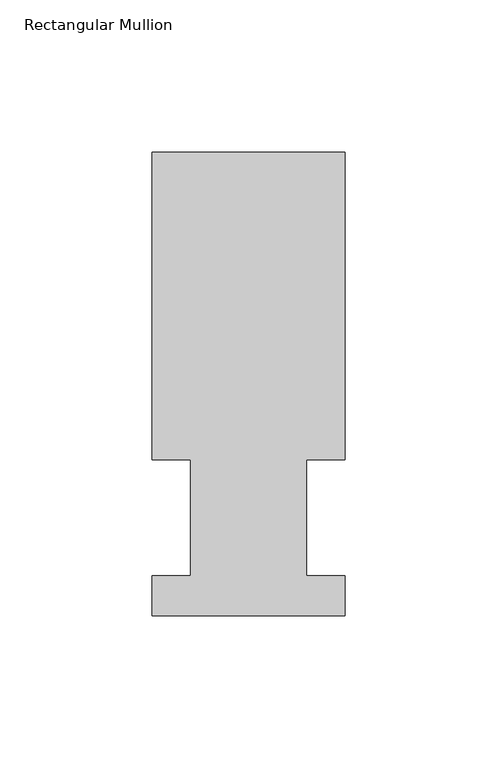
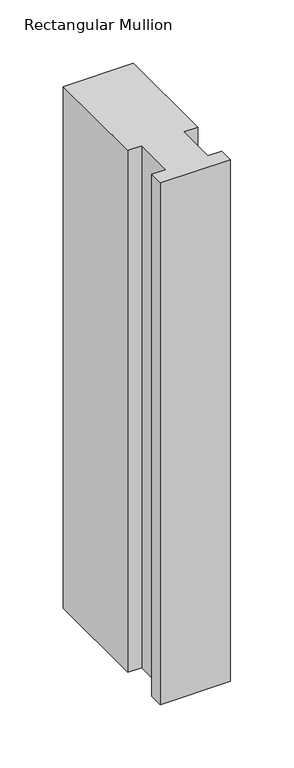
"""IFC4 building model written with IfcOpenShell, lengths in millimetres: member geometry, Rectangular Mullion."""

from ifc_helpers import new_model, si_unit, frame, origin, place, context, project, spatial, polyline, outline, extrude, source, transform, mapped, element, save


def rectangular_mullion_71690587(model_context):
    return source(origin(), model_context, "Body", "SweptSolid", [
        extrude(outline(polyline([(-63.5, 152.4896937), (0.0, 152.4896937), (0.0, 51.2960938), (-12.6873, 51.2960938), (-12.6873, 13.1960938), (0.0, 13.1960938), (0.0, 0.0134938), (-63.5, 0.0134938), (-63.5, 13.1960938), (-50.8, 13.1960938), (-50.8, 51.2960937), (-63.5, 51.2960937), (-63.5, 152.4896937)])), frame((0.0, 0.0, -501.65), z_axis=(0.0, 0.0, 1.0), x_axis=(1.0, 0.0, 0.0)), (0.0, 0.0, 1.0), 501.65),
    ])


if __name__ == "__main__":
    model = new_model("IFC4")
    model_context = context("Model", 3, world=origin())
    ifc_project = project(units=[si_unit("LENGTHUNIT", "METRE", prefix="MILLI")], contexts=[model_context])
    site = spatial("IfcSite", under=ifc_project)
    building = spatial("IfcBuilding", under=site)
    placement = place(None, origin())
    rectangular_mullion_shape = rectangular_mullion_71690587(model_context)
    element("IfcMember", 1, ObjectType="Rectangular Mullion", at=placement, inside=building, context=model_context, shape_type="MappedRepresentation", body=[
        mapped(rectangular_mullion_shape, transform((0.0, 0.0, 0.0), x_axis=(1.0, 0.0, 0.0), y_axis=(0.0, 1.0, 0.0), z_axis=(0.0, 0.0, 1.0))),
    ])
    save(model, "model.ifc")
